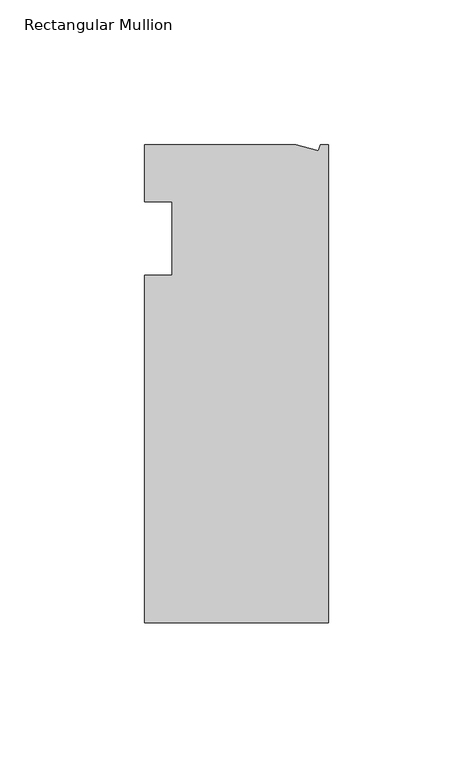
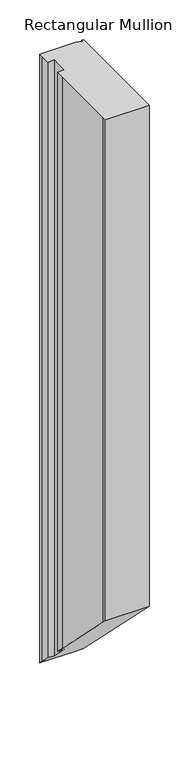
"""IFC4 building model written with IfcOpenShell, lengths in millimetres: member geometry, Rectangular Mullion."""

from ifc_helpers import new_model, si_unit, origin, place, context, project, spatial, faceted_brep, source, transform, mapped, element, save


def rectangular_mullion_51a14dcc(model_context):
    return source(origin(), model_context, "Body", "Brep", [
        faceted_brep([(-11.1265412, 19.6597595, 0.0), (-63.5, 19.6597595, 0.0), (-63.5, 13.6093403, 0.0), (-63.5, 0.0, 0.0), (-53.975, 0.0, 0.0), (-53.975, -25.4, 0.0), (-63.5, -25.4, 0.0), (-63.5, -38.3358837, 0.0), (-63.5, -139.0912246, 0.0), (-63.5, -145.4402405, 0.0), (0.0, -145.4402405, 0.0), (0.0, 19.6597595, 0.0), (-2.787084, 19.6597595, 0.0), (-3.3457217, 17.5748952, 0.0), (-11.1265412, 19.6597595, -934.0597595), (-63.5, 19.6597595, -934.0597595), (-63.5, 13.6093403, -928.0093403), (-63.5, 0.0, -914.4), (-53.975, 0.0, -914.4), (-53.975, -25.4, -889.0), (-63.5, -25.4, -889.0), (-63.5, -38.3358837, -876.0641163), (-63.5, -139.0912246, -775.3087754), (-63.5, -145.4402405, -768.9597595), (0.0, -145.4402405, -768.9597595), (0.0, 19.6597595, -934.0597595), (-2.787084, 19.6597595, -934.0597595), (-3.3457217, 17.5748952, -931.9748952)], [[[0, 1, 2, 3, 4, 5, 6, 7, 8, 9, 10, 11, 12, 13]], [[1, 0, 14, 15]], [[3, 2, 16, 17]], [[4, 3, 17, 18]], [[5, 4, 18, 19]], [[6, 5, 19, 20]], [[8, 7, 21, 22]], [[10, 9, 23, 24]], [[11, 10, 24, 25]], [[12, 11, 25, 26]], [[13, 12, 26, 27]], [[0, 13, 27, 14]], [[14, 27, 26, 25, 24, 23, 22, 21, 20, 19, 18, 17, 16, 15]], [[9, 8, 22, 23]], [[2, 1, 15, 16]], [[7, 6, 20, 21]]]),
    ])


if __name__ == "__main__":
    model = new_model("IFC4")
    model_context = context("Model", 3, world=origin())
    ifc_project = project(units=[si_unit("LENGTHUNIT", "METRE", prefix="MILLI")], contexts=[model_context])
    site = spatial("IfcSite", under=ifc_project)
    building = spatial("IfcBuilding", under=site)
    placement = place(None, origin())
    rectangular_mullion_shape = rectangular_mullion_51a14dcc(model_context)
    element("IfcMember", 1, ObjectType="Rectangular Mullion", at=placement, inside=building, context=model_context, shape_type="MappedRepresentation", body=[
        mapped(rectangular_mullion_shape, transform((0.0, 0.0, 0.0), x_axis=(1.0, 0.0, 0.0), y_axis=(0.0, 1.0, 0.0), z_axis=(0.0, 0.0, 1.0))),
    ])
    save(model, "model.ifc")
